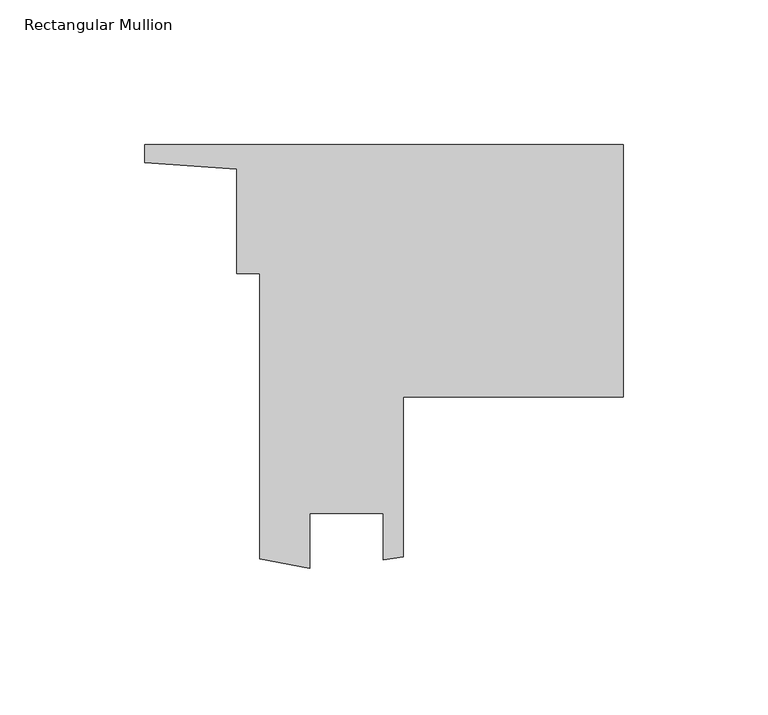
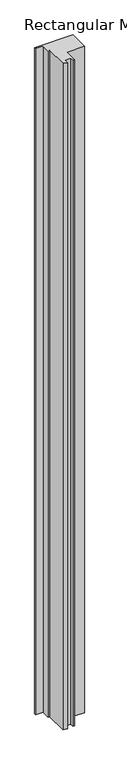
"""IFC4 building model written with IfcOpenShell, lengths in millimetres: member geometry, Rectangular Mullion."""

from ifc_helpers import new_model, si_unit, frame, origin, place, context, project, spatial, polyline, outline, extrude, source, transform, mapped, element, save


def rectangular_mullion_763cbd1e(model_context):
    return source(origin(), model_context, "Body", "SweptSolid", [
        extrude(outline(polyline([(0.0, 50.9977765), (0.0, -36.1106859), (-75.8835419, -36.1106859), (-75.8835419, -91.4376563), (-82.8495275, -92.4421719), (-82.8495275, -76.2562394), (-108.2495275, -76.2562394), (-108.2495275, -95.3226034), (-125.4706919, -91.9811286), (-125.4706919, 6.5477765), (-133.4081919, 6.5477765), (-133.4081919, 42.5701847), (-165.1, 44.7654836), (-165.1, 50.9977765), (0.0, 50.9977765)])), frame((0.0, 0.0, -3048.0), z_axis=(0.0, 0.0, 1.0), x_axis=(1.0, 0.0, 0.0)), (0.0, 0.0, 1.0), 3048.0),
    ])


if __name__ == "__main__":
    model = new_model("IFC4")
    model_context = context("Model", 3, world=origin())
    ifc_project = project(units=[si_unit("LENGTHUNIT", "METRE", prefix="MILLI")], contexts=[model_context])
    site = spatial("IfcSite", under=ifc_project)
    building = spatial("IfcBuilding", under=site)
    placement = place(None, origin())
    rectangular_mullion_shape = rectangular_mullion_763cbd1e(model_context)
    element("IfcMember", 1, ObjectType="Rectangular Mullion", at=placement, inside=building, context=model_context, shape_type="MappedRepresentation", body=[
        mapped(rectangular_mullion_shape, transform((0.0, 0.0, 0.0), x_axis=(1.0, 0.0, 0.0), y_axis=(0.0, 1.0, 0.0), z_axis=(0.0, 0.0, 1.0))),
    ])
    save(model, "model.ifc")
